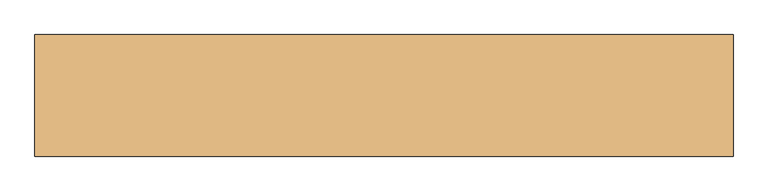
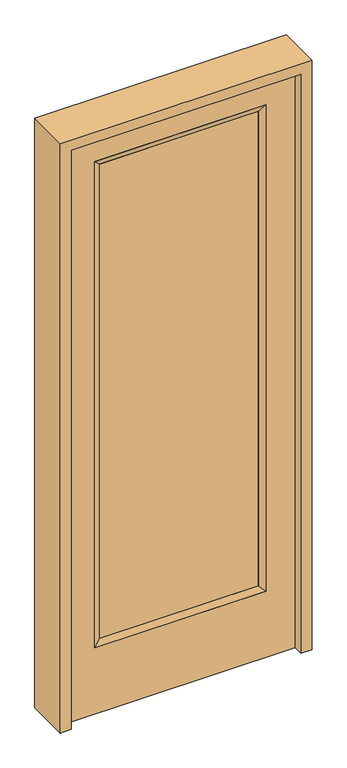
"""IFC4 building model written with IfcOpenShell, lengths in millimetres: door geometry."""

import ifcopenshell
import ifcopenshell.guid

model = None  # the IFC model being written
_history = None  # IfcOwnerHistory: only IFC2X3 demands one
_inside = {}  # id of a spatial element -> (the spatial element, [elements in it])
_under = {}  # id of a project, library or spatial element -> (it, [spatial elements below it])
_declared = {}  # id of a project -> (the project, [libraries it declares])
_typed = {}  # id of a type object -> (the type object, [elements of that type])
_made_of = {}  # id of a material, layer set ... -> (it, [elements and type objects made of it])


def new_model(schema):
    """Start an empty IFC model of exactly this schema.

    Asked for "IFC4X3", IfcOpenShell would pick the latest addendum, in which some entities
    have other attributes; the version numbers below select the first issue.
    IFC2X3 requires an IfcOwnerHistory on every rooted entity: one is made here for all.
    """
    global model, _history
    if schema == "IFC4X3":
        model = ifcopenshell.file(schema_version=(4, 3, 0, 0))
    else:
        model = ifcopenshell.file(schema=schema)
    _inside.clear()
    _under.clear()
    _declared.clear()
    _typed.clear()
    _made_of.clear()
    _history = None
    if model.schema == "IFC2X3":
        org = make("IfcOrganization", Name="unknown")
        user = make(
            "IfcPersonAndOrganization",
            ThePerson=make("IfcPerson", FamilyName="unknown"),
            TheOrganization=org,
        )
        app = make(
            "IfcApplication",
            ApplicationDeveloper=org,
            Version="unknown",
            ApplicationFullName="unknown",
            ApplicationIdentifier="unknown",
        )
        _history = make(
            "IfcOwnerHistory",
            OwningUser=user,
            OwningApplication=app,
            ChangeAction="ADDED",
            CreationDate=0,
        )
    return model


def make(cls, **values):
    """One entity of the class cls with the attributes given. An attribute that is None is left unset."""
    return model.create_entity(
        cls, **{name: value for name, value in values.items() if value is not None}
    )


def rooted(cls, **values):
    """An entity with a GlobalId (a new one), such as an element, a storey or a relation."""
    return make(cls, GlobalId=ifcopenshell.guid.new(), OwnerHistory=_history, **values)


def si_unit(unit_type, name, prefix=None):
    """IfcSIUnit, for example si_unit("LENGTHUNIT", "METRE", prefix="MILLI")."""
    return make("IfcSIUnit", UnitType=unit_type, Prefix=prefix, Name=name)


def assignment(units):
    """IfcUnitAssignment: the units of a project."""
    return None if units is None else make("IfcUnitAssignment", Units=units)


def point(xyz):
    """IfcCartesianPoint."""
    return None if xyz is None else make("IfcCartesianPoint", Coordinates=xyz)


def direction(xyz):
    """IfcDirection."""
    return None if xyz is None else make("IfcDirection", DirectionRatios=xyz)


def frame(location, z_axis=None, x_axis=None):
    """IfcAxis2Placement3D, a coordinate frame: its origin and axes. An axis left out is left unset."""
    return make(
        "IfcAxis2Placement3D",
        Location=point(location),
        Axis=direction(z_axis),
        RefDirection=direction(x_axis),
    )


def origin():
    """The frame at (0, 0, 0) with its axes left unset."""
    return frame((0.0, 0.0, 0.0))


def place(relative_to, where):
    """IfcLocalPlacement: puts the frame where relative to a parent placement (None: the world)."""
    return make(
        "IfcLocalPlacement", PlacementRelTo=relative_to, RelativePlacement=where
    )


def context(
    kind, dimensions, precision=None, world=None, true_north=None, identifier=None
):
    """IfcGeometricRepresentationContext, for example the 3D "Model" context."""
    return make(
        "IfcGeometricRepresentationContext",
        ContextIdentifier=identifier,
        ContextType=kind,
        CoordinateSpaceDimension=dimensions,
        Precision=precision,
        WorldCoordinateSystem=world,
        TrueNorth=true_north,
    )


def project(units=None, contexts=None):
    """IfcProject with its units and contexts."""
    return rooted(
        "IfcProject",
        Name="project",
        RepresentationContexts=contexts,
        UnitsInContext=assignment(units),
    )


def spatial(cls, under=None, at=None, **own):
    """A site, building, storey or space (cls), placed at a placement, below another one or the project."""
    s = rooted(cls, ObjectPlacement=at, **own)
    if under is not None:
        _under.setdefault(under.id(), (under, []))[1].append(s)
    return s


def polyline(points):
    """IfcPolyline through the points."""
    return make("IfcPolyline", Points=[point(p) for p in points])


def outline(outer, holes=None, kind="AREA"):
    """IfcArbitraryClosedProfileDef: a profile drawn as a closed curve; with holes, ...WithVoids."""
    if holes is None:
        return make("IfcArbitraryClosedProfileDef", ProfileType=kind, OuterCurve=outer)
    return make(
        "IfcArbitraryProfileDefWithVoids",
        ProfileType=kind,
        OuterCurve=outer,
        InnerCurves=holes,
    )


def extrude(swept, where, along, depth):
    """IfcExtrudedAreaSolid: the profile swept, set in the frame where, extruded along a direction by depth."""
    return make(
        "IfcExtrudedAreaSolid",
        SweptArea=swept,
        Position=where,
        ExtrudedDirection=direction(along),
        Depth=depth,
    )


def faces_of(points, faces, orient=None, outer=None):
    """IfcFace entities. A face is a list of loops; a loop is a list of indices into points, from 0.

    orient and outer hold one flag for each loop. By default every Orientation is true, the
    first loop of a face is its IfcFaceOuterBound and the others are IfcFaceBound.
    """
    made = []
    for i, loops in enumerate(faces):
        bounds = []
        for j, loop in enumerate(loops):
            is_outer = j == 0 if outer is None else outer[i][j]
            bounds.append(
                make(
                    "IfcFaceOuterBound" if is_outer else "IfcFaceBound",
                    Bound=make("IfcPolyLoop", Polygon=[points[k] for k in loop]),
                    Orientation=True if orient is None else orient[i][j],
                )
            )
        made.append(make("IfcFace", Bounds=bounds))
    return made


def faceted_brep(points, faces, orient=None, outer=None, voids=None):
    """IfcFacetedBrep: a solid bounded by flat faces; with voids (closed shells), ...WithVoids."""
    shared = [point(p) for p in points]
    hull = make("IfcClosedShell", CfsFaces=faces_of(shared, faces, orient, outer))
    if voids is None:
        return make("IfcFacetedBrep", Outer=hull)
    return make(
        "IfcFacetedBrepWithVoids",
        Outer=hull,
        Voids=[
            make(cls, CfsFaces=faces_of(shared, fs, o, b)) for cls, fs, o, b in voids
        ],
    )


def shape(context_of_items, identifier, shape_type, items):
    """IfcShapeRepresentation: the items that make up one representation, for example the "Body"."""
    return make(
        "IfcShapeRepresentation",
        ContextOfItems=context_of_items,
        RepresentationIdentifier=identifier,
        RepresentationType=shape_type,
        Items=items,
    )


def source(mapping_origin, context_of_items, identifier, shape_type, items):
    """IfcRepresentationMap: a shape defined once, which mapped items show again and again."""
    return make(
        "IfcRepresentationMap",
        MappingOrigin=mapping_origin,
        MappedRepresentation=shape(context_of_items, identifier, shape_type, items),
    )


def transform(
    local_origin,
    x_axis=None,
    y_axis=None,
    z_axis=None,
    scale=None,
    scale2=None,
    scale3=None,
    uniform=True,
):
    """IfcCartesianTransformationOperator3D, or its non-uniform kind. x_axis, y_axis, z_axis: its Axis1, 2, 3."""
    if uniform:
        return make(
            "IfcCartesianTransformationOperator3D",
            Axis1=direction(x_axis),
            Axis2=direction(y_axis),
            LocalOrigin=point(local_origin),
            Scale=scale,
            Axis3=direction(z_axis),
        )
    return make(
        "IfcCartesianTransformationOperator3DnonUniform",
        Axis1=direction(x_axis),
        Axis2=direction(y_axis),
        LocalOrigin=point(local_origin),
        Scale=scale,
        Axis3=direction(z_axis),
        Scale2=scale2,
        Scale3=scale3,
    )


def mapped(mapping_source, mapping_target):
    """IfcMappedItem: shows the shape of a source again, moved by a transform."""
    return make(
        "IfcMappedItem", MappingSource=mapping_source, MappingTarget=mapping_target
    )


def made_of(thing, what):
    """Note that an element or type object is made of a material, layer set ...; save() writes the relation."""
    if what is not None:
        _made_of.setdefault(what.id(), (what, []))[1].append(thing)
    return thing


def element(
    cls,
    number,
    at=None,
    inside=None,
    cuts=None,
    type_object=None,
    material=None,
    context=None,
    identifier="Body",
    shape_type=None,
    held_by="IfcProductDefinitionShape",
    body=None,
    shapes=None,
    **own,
):
    """One element of the class cls, such as IfcWall. Its Tag is "e" and its number.

    at: its placement. inside: the storey or other place that contains it. cuts: it is an
    opening in that element (IfcRelVoidsElement). A single representation is given by context,
    identifier, shape_type and body (its items); several are given by shapes. held_by: the class
    of the entity that holds the representations. save() writes the other relations.
    """
    e = rooted(cls, Tag="e%d" % number, ObjectPlacement=at, **own)
    if body is not None:
        shapes = [shape(context, identifier, shape_type, body)]
    if shapes is not None:
        e.Representation = make(held_by, Representations=shapes)
    if inside is not None:
        _inside.setdefault(inside.id(), (inside, []))[1].append(e)
    if cuts is not None:
        rooted(
            "IfcRelVoidsElement", RelatingBuildingElement=cuts, RelatedOpeningElement=e
        )
    if type_object is not None:
        _typed.setdefault(type_object.id(), (type_object, []))[1].append(e)
    return made_of(e, material)


def aggregate(whole, parts):
    """IfcRelAggregates: a whole, such as a stair, and the parts it consists of."""
    return rooted("IfcRelAggregates", RelatingObject=whole, RelatedObjects=parts)


def save(model, path):
    """Write the relations noted so far, then the file.

    IfcRelAggregates (storeys below a building ...), IfcRelContainedInSpatialStructure (elements
    in a storey), IfcRelDefinesByType, IfcRelAssociatesMaterial and IfcRelDeclares: one each for
    every whole, place, type object, material and project.
    """
    for whole, parts in _under.values():
        aggregate(whole, parts)
    for where, things in _inside.values():
        rooted(
            "IfcRelContainedInSpatialStructure",
            RelatedElements=things,
            RelatingStructure=where,
        )
    for kind, things in _typed.values():
        rooted("IfcRelDefinesByType", RelatedObjects=things, RelatingType=kind)
    for what, things in _made_of.values():
        rooted("IfcRelAssociatesMaterial", RelatedObjects=things, RelatingMaterial=what)
    for by, libraries in _declared.values():
        rooted("IfcRelDeclares", RelatingContext=by, RelatedDefinitions=libraries)
    model.write(path)


def door_378dc0da(model_context):
    return source(origin(), model_context, "Body", "SolidModel", [
        extrude(outline(polyline([(316.3824, -12.7039749), (-316.3824, -12.7039749), (-316.3824, 14.2875), (316.3824, 14.2875), (316.3824, -12.7039749)])), frame((0.0, 0.0, 304.8), z_axis=(0.0, 0.0, 1.0), x_axis=(1.0, 0.0, 0.0)), (0.0, 0.0, 1.0), 1997.5576),
        faceted_brep([(316.3824, 14.2875, 2302.3576), (341.7824, 22.225, 2327.7576), (341.7824, 22.225, 279.4), (316.3824, 14.2875, 304.8), (341.7824, -22.225, 2327.7576), (341.7824, -22.225, 279.4), (-341.7824, 22.225, 279.4), (-316.3824, 14.2875, 304.8), (316.3824, -12.7039749, 2302.3576), (316.3824, -12.7039749, 304.8), (-316.3824, -12.7039749, 304.8), (-341.7824, -22.225, 279.4), (-341.7824, 22.225, 2327.7576), (-316.3824, 14.2875, 2302.3576), (-316.3824, -12.7039749, 2302.3576), (-341.7824, -22.225, 2327.7576)], [[[0, 1, 2, 3]], [[1, 4, 5, 2]], [[3, 2, 6, 7]], [[8, 0, 3, 9]], [[9, 3, 7, 10]], [[4, 8, 9, 5]], [[5, 9, 10, 11]], [[2, 5, 11, 6]], [[7, 6, 12, 13]], [[10, 7, 13, 14]], [[11, 10, 14, 15]], [[6, 11, 15, 12]], [[13, 12, 1, 0]], [[14, 13, 0, 8]], [[15, 14, 8, 4]], [[12, 15, 4, 1]]]),
        extrude(outline(polyline([(0.0, -457.2), (0.0, 457.2), (2438.4, 457.2), (2438.4, -457.2), (0.0, -457.2)]), holes=[polyline([(279.4, -341.7824), (2327.7576, -341.7824), (2327.7576, 341.7824), (279.4, 341.7824), (279.4, -341.7824)])]), frame((0.0, -22.225, 0.0), z_axis=(0.0, 1.0, 0.0), x_axis=(0.0, 0.0, 1.0)), (0.0, 0.0, 1.0), 44.45),
        extrude(outline(polyline([(0.0, -501.65), (0.0, -457.2), (2438.4, -457.2), (2438.4, 457.2), (0.0, 457.2), (0.0, 501.65), (2482.85, 501.65), (2482.85, -501.65), (0.0, -501.65)])), frame((0.0, -61.1, 0.0), z_axis=(0.0, 1.0, 0.0), x_axis=(0.0, 0.0, 1.0)), (0.0, 0.0, 1.0), 175.4),
    ])


if __name__ == "__main__":
    model = new_model("IFC4")
    model_context = context("Model", 3, world=origin())
    ifc_project = project(units=[si_unit("LENGTHUNIT", "METRE", prefix="MILLI")], contexts=[model_context])
    site = spatial("IfcSite", under=ifc_project)
    building = spatial("IfcBuilding", under=site)
    placement = place(None, origin())
    door_shape = door_378dc0da(model_context)
    element("IfcDoor", 1, at=placement, inside=building, context=model_context, shape_type="MappedRepresentation", body=[
        mapped(door_shape, transform((0.0, 0.0, 0.0), x_axis=(1.0, 0.0, 0.0), y_axis=(0.0, 1.0, 0.0), z_axis=(0.0, 0.0, 1.0))),
    ])
    save(model, "model.ifc")
